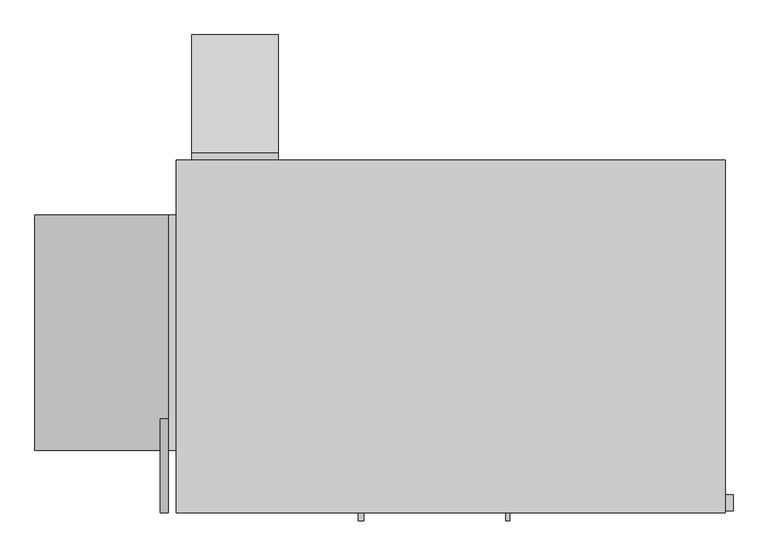
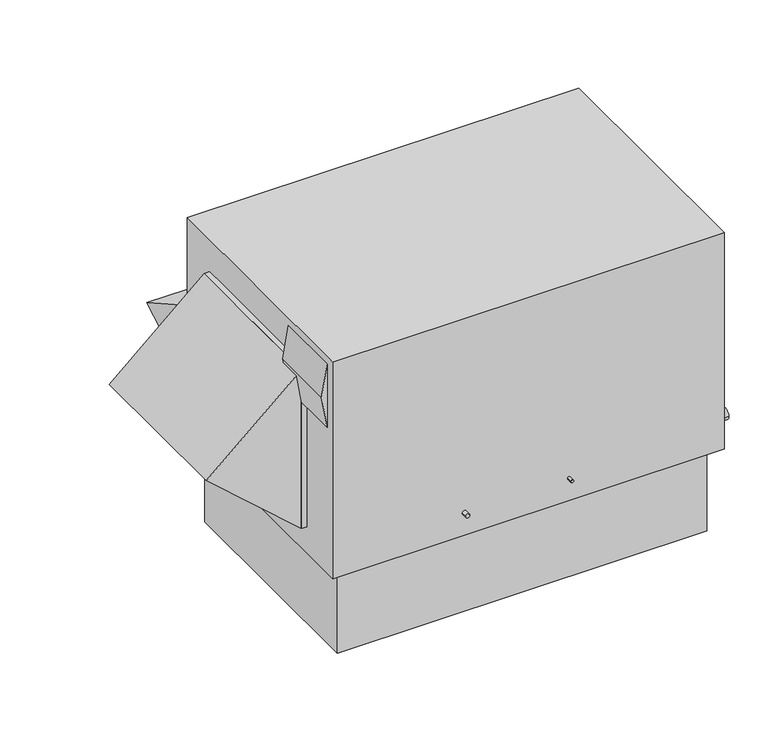
"""IFC4 building model written with IfcOpenShell, lengths in millimetres: proxy geometry."""

from ifc_helpers import new_model, si_unit, frame, origin, place, context, project, spatial, polyline, circle_curve, outline, extrude, source, transform, mapped, element, save
from ifc_brep_helpers import plane_surface, cylinder_surface, advanced_brep


def mechanical_equipment_36097ed2(model_context):
    return source(origin(), model_context, "Body", "SolidModel", [
        extrude(outline(polyline([(736.6, -1803.4), (1041.4, -1803.4), (889.0, -1828.8), (736.6, -1803.4)])), frame((0.0, 0.0, 0.0), z_axis=(0.0, 1.0, 0.0), x_axis=(0.0, 0.0, 1.0)), (0.0, 0.0, 1.0), 304.8),
        extrude(outline(polyline([(127.0, -1803.4), (889.0, -1803.4), (508.0, -2235.2), (127.0, -1803.4)])), frame((0.0, 203.2, 0.0), z_axis=(0.0, 1.0, 0.0), x_axis=(0.0, 0.0, 1.0)), (0.0, 0.0, 1.0), 762.0),
        extrude(outline(polyline([(-1803.4, 203.2), (-1803.4, 965.2), (-1778.0, 965.2), (-1778.0, 203.2), (-1803.4, 203.2)])), frame((0.0, 0.0, 127.0), z_axis=(0.0, 0.0, 1.0), x_axis=(1.0, 0.0, 0.0)), (0.0, 0.0, 1.0), 762.0),
        extrude(outline(polyline([(1168.4, 152.4), (1168.4, 584.2), (1549.4, 368.3), (1168.4, 152.4)])), frame((-1727.2, 0.0, 0.0), z_axis=(1.0, 0.0, 0.0), x_axis=(0.0, 1.0, 0.0)), (0.0, 0.0, 1.0), 279.4),
        extrude(outline(polyline([(-1727.2, 1168.4), (-1447.8, 1168.4), (-1447.8, 1143.0), (-1727.2, 1143.0), (-1727.2, 1168.4)])), frame((0.0, 0.0, 152.4), z_axis=(0.0, 0.0, 1.0), x_axis=(1.0, 0.0, 0.0)), (0.0, 0.0, 1.0), 431.8),
        extrude(outline(polyline([(-50.8, 1092.2), (-50.8, 50.8), (-1727.2, 50.8), (-1727.2, 1092.2), (-50.8, 1092.2)])), frame((0.0, 0.0, -406.4), z_axis=(0.0, 0.0, 1.0), x_axis=(1.0, 0.0, 0.0)), (0.0, 0.0, 1.0), 406.4),
        advanced_brep(
        [(0.0, 1143.0, 1041.4), (-1778.0, 1143.0, 1041.4), (-1778.0, 0.0, 1041.4), (0.0, 0.0, 1041.4), (0.0, 1143.0, 0.0), (0.0, 0.0, 0.0), (-1778.0, 0.0, 0.0), (-1778.0, 1143.0, 0.0), (-1320.8, 1041.4, 0.0), (-1676.4, 1041.4, 0.0), (-1676.4, 431.8, 0.0), (-1320.8, 431.8, 0.0), (-685.8, 1041.4, 0.0), (-1092.2, 1041.4, 0.0), (-1092.2, 584.2, 0.0), (-685.8, 584.2, 0.0), (-698.5, 0.0, 107.95), (-711.2, 0.0, 107.95), (-1169.9875, 0.0, 107.95), (-1189.0375, 0.0, 107.95), (0.0, 58.7375, 142.875), (0.0, 7.9375, 142.875), (-1320.8, 1041.4, 107.95), (-1320.8, 431.8, 107.95), (-1676.4, 431.8, 107.95), (-1676.4, 1041.4, 107.95), (-685.8, 1041.4, 107.95), (-685.8, 584.2, 107.95), (-1092.2, 584.2, 107.95), (-1092.2, 1041.4, 107.95), (-711.2, -25.5724411, 107.95), (-698.5, -25.5724411, 107.95), (25.4, 7.9375, 142.875), (25.4, 58.7375, 142.875), (-1189.0375, -25.5724411, 107.95), (-1169.9875, -25.5724411, 107.95)],
        [
            (0, 1),
            (1, 2),
            (2, 3),
            (3, 0),
            (4, 5),
            (5, 6),
            (6, 7),
            (7, 4),
            (8, 9),
            (9, 10),
            (10, 11),
            (11, 8),
            (12, 13),
            (13, 14),
            (14, 15),
            (15, 12),
            (0, 4),
            (7, 1),
            (6, 2),
            (5, 3),
            (16, 17, circle_curve(frame((-704.85, 0.0, 107.95), z_axis=(0.0, 1.0, 0.0), x_axis=(1.0, 0.0, 0.0)), 6.35)),
            (17, 16, circle_curve(frame((-704.85, 0.0, 107.95), z_axis=(0.0, 1.0, 0.0), x_axis=(1.0, 0.0, 0.0)), 6.35)),
            (18, 19, circle_curve(frame((-1179.5125, 0.0, 107.95), z_axis=(0.0, 1.0, 0.0), x_axis=(1.0, 0.0, 0.0)), 9.525)),
            (19, 18, circle_curve(frame((-1179.5125, 0.0, 107.95), z_axis=(0.0, 1.0, 0.0), x_axis=(1.0, 0.0, 0.0)), 9.525)),
            (20, 21, circle_curve(frame((0.0, 33.3375, 142.875), z_axis=(-1.0, 0.0, 0.0), x_axis=(0.0, 1.0, 0.0)), 25.4)),
            (21, 20, circle_curve(frame((0.0, 33.3375, 142.875), z_axis=(-1.0, 0.0, 0.0), x_axis=(0.0, 1.0, 0.0)), 25.4)),
            (22, 23),
            (23, 24),
            (24, 25),
            (25, 22),
            (26, 27),
            (27, 28),
            (28, 29),
            (29, 26),
            (25, 9),
            (8, 22),
            (24, 10),
            (23, 11),
            (29, 13),
            (12, 26),
            (28, 14),
            (27, 15),
            (30, 31, circle_curve(frame((-704.85, -25.5724411, 107.95), z_axis=(0.0, -1.0, 0.0), x_axis=(1.0, 0.0, 0.0)), 6.35)),
            (31, 30, circle_curve(frame((-704.85, -25.5724411, 107.95), z_axis=(0.0, -1.0, 0.0), x_axis=(1.0, 0.0, 0.0)), 6.35)),
            (30, 17),
            (16, 31),
            (32, 33, circle_curve(frame((25.4, 33.3375, 142.875), z_axis=(1.0, 0.0, 0.0), x_axis=(0.0, 1.0, 0.0)), 25.4)),
            (33, 32, circle_curve(frame((25.4, 33.3375, 142.875), z_axis=(1.0, 0.0, 0.0), x_axis=(0.0, 1.0, 0.0)), 25.4)),
            (32, 21),
            (20, 33),
            (34, 35, circle_curve(frame((-1179.5125, -25.5724411, 107.95), z_axis=(0.0, -1.0, 0.0), x_axis=(1.0, 0.0, 0.0)), 9.525)),
            (35, 34, circle_curve(frame((-1179.5125, -25.5724411, 107.95), z_axis=(0.0, -1.0, 0.0), x_axis=(1.0, 0.0, 0.0)), 9.525)),
            (34, 19),
            (18, 35),
        ],
        [
            plane_surface(frame((-1778.0, 1143.0, 1041.4), z_axis=(0.0, 0.0, 1.0), x_axis=(-1.0, 0.0, 0.0))),
            plane_surface(frame((-1778.0, 1143.0, 0.0), z_axis=(0.0, 0.0, -1.0), x_axis=(1.0, 0.0, 0.0))),
            plane_surface(frame((0.0, 1143.0, 1041.4), z_axis=(0.0, 1.0, 0.0), x_axis=(0.0, 0.0, -1.0))),
            plane_surface(frame((-1778.0, 1143.0, 1041.4), z_axis=(-1.0, 0.0, 0.0), x_axis=(0.0, 0.0, -1.0))),
            plane_surface(frame((-1778.0, 0.0, 1041.4), z_axis=(0.0, -1.0, 0.0), x_axis=(0.0, 0.0, -1.0))),
            plane_surface(frame((0.0, 0.0, 1041.4), z_axis=(1.0, 0.0, 0.0), x_axis=(0.0, 0.0, -1.0))),
            plane_surface(frame((-1676.4, 1041.4, 107.95), z_axis=(0.0, 0.0, -1.0), x_axis=(-1.0, 0.0, 0.0))),
            plane_surface(frame((-1320.8, 1041.4, 107.95), z_axis=(0.0, -1.0, 0.0), x_axis=(0.0, 0.0, -1.0))),
            plane_surface(frame((-1676.4, 1041.4, 107.95), z_axis=(1.0, 0.0, 0.0), x_axis=(0.0, 0.0, -1.0))),
            plane_surface(frame((-1676.4, 431.8, 107.95), z_axis=(0.0, 1.0, 0.0), x_axis=(0.0, 0.0, -1.0))),
            plane_surface(frame((-1320.8, 431.8, 107.95), z_axis=(-1.0, 0.0, 0.0), x_axis=(0.0, 0.0, -1.0))),
            plane_surface(frame((-685.8, 1041.4, 107.95), z_axis=(0.0, -1.0, 0.0), x_axis=(0.0, 0.0, -1.0))),
            plane_surface(frame((-1092.2, 1041.4, 107.95), z_axis=(1.0, 0.0, 0.0), x_axis=(0.0, 0.0, -1.0))),
            plane_surface(frame((-1092.2, 584.2, 107.95), z_axis=(0.0, 1.0, 0.0), x_axis=(0.0, 0.0, -1.0))),
            plane_surface(frame((-685.8, 584.2, 107.95), z_axis=(-1.0, 0.0, 0.0), x_axis=(0.0, 0.0, -1.0))),
            plane_surface(frame((-698.5, -25.5724411, 107.95), z_axis=(0.0, -1.0, 0.0), x_axis=(0.0, 0.0, 1.0))),
            cylinder_surface(frame((-704.85, 0.0, 107.95), z_axis=(0.0, -1.0, 0.0), x_axis=(1.0, 0.0, 0.0)), 6.35),
            plane_surface(frame((25.4, 58.7375, 142.875), z_axis=(1.0, 0.0, 0.0), x_axis=(0.0, 0.0, 1.0))),
            cylinder_surface(frame((0.0, 33.3375, 142.875), z_axis=(1.0, 0.0, 0.0), x_axis=(0.0, 1.0, 0.0)), 25.4),
            plane_surface(frame((-1169.9875, -25.5724411, 107.95), z_axis=(0.0, -1.0, 0.0), x_axis=(0.0, 0.0, 1.0))),
            cylinder_surface(frame((-1179.5125, 0.0, 107.95), z_axis=(0.0, -1.0, 0.0), x_axis=(1.0, 0.0, 0.0)), 9.525),
        ],
        [
            (0, [[1, 2, 3, 4]]),
            (1, [[5, 6, 7, 8], [9, 10, 11, 12], [13, 14, 15, 16]]),
            (2, [[-1, 17, -8, 18]]),
            (3, [[-2, -18, -7, 19]]),
            (4, [[-3, -19, -6, 20], [21, 22], [23, 24]]),
            (5, [[-4, -20, -5, -17], [25, 26]]),
            (6, [[27, 28, 29, 30]]),
            (6, [[31, 32, 33, 34]]),
            (7, [[-30, 35, -9, 36]]),
            (8, [[-29, 37, -10, -35]]),
            (9, [[-28, 38, -11, -37]]),
            (10, [[-27, -36, -12, -38]]),
            (11, [[-34, 39, -13, 40]]),
            (12, [[-33, 41, -14, -39]]),
            (13, [[-32, 42, -15, -41]]),
            (14, [[-31, -40, -16, -42]]),
            (15, [[43, 44]]),
            (16, [[-43, 45, -21, 46]]),
            (16, [[-44, -46, -22, -45]]),
            (17, [[47, 48]]),
            (18, [[-47, 49, -25, 50]]),
            (18, [[-48, -50, -26, -49]]),
            (19, [[51, 52]]),
            (20, [[-51, 53, -23, 54]]),
            (20, [[-52, -54, -24, -53]]),
        ],
    ),
    ])


if __name__ == "__main__":
    model = new_model("IFC4")
    model_context = context("Model", 3, world=origin())
    ifc_project = project(units=[si_unit("LENGTHUNIT", "METRE", prefix="MILLI")], contexts=[model_context])
    site = spatial("IfcSite", under=ifc_project)
    building = spatial("IfcBuilding", under=site)
    placement = place(None, origin())
    mechanical_equipment_shape = mechanical_equipment_36097ed2(model_context)
    element("IfcBuildingElementProxy", 1, Name="Mechanical Equipment", at=placement, inside=building, context=model_context, shape_type="MappedRepresentation", body=[
        mapped(mechanical_equipment_shape, transform((0.0, 0.0, 0.0), x_axis=(1.0, 0.0, 0.0), y_axis=(0.0, 1.0, 0.0), z_axis=(0.0, 0.0, 1.0))),
    ])
    save(model, "model.ifc")
